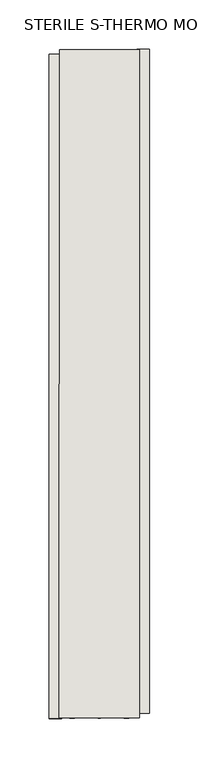
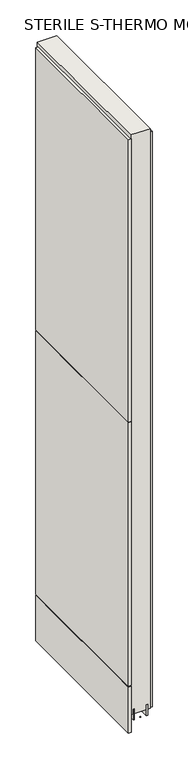
"""IFC4 building model written with IfcOpenShell, lengths in millimetres: wall geometry, STERILE S-THERMO MONO 338092 : STERILE S-THERMO MONO 338092."""

from ifc_helpers import new_model, si_unit, frame, origin, place, context, project, spatial, polyline, outline, extrude, source, transform, mapped, element, save


def sterile_s_thermo_mono_338092_sterile_s_thermo_mono_338092_1df14088(model_context):
    return source(origin(), model_context, "Body", "SweptSolid", [
        extrude(outline(polyline([(86789.1161344, -41925.5451048), (86789.1161344, -41923.0051048), (86791.6561344, -41923.0051048), (86791.6561344, -41925.5451048), (86789.1161344, -41925.5451048)])), frame((0.0, 0.0, 4419.6), z_axis=(0.0, 0.0, 1.0), x_axis=(1.0, 0.0, 0.0)), (0.0, 0.0, 1.0), 2.54),
        extrude(outline(polyline([(86841.297742, -41249.2953397), (86841.297742, -41921.0946819), (86828.597742, -41921.0946819), (86828.597742, -41249.2953397), (86841.297742, -41249.2953397)])), frame((0.0, 0.0, 4445.0), z_axis=(0.0, 0.0, 1.0), x_axis=(1.0, 0.0, 0.0)), (0.0, 0.0, 1.0), 2545.0498756),
        extrude(outline(polyline([(86739.7101626, -41925.9936053), (86739.7101626, -41254.1942631), (86752.4101626, -41254.1942631), (86752.4101626, -41925.9936053), (86739.7101626, -41925.9936053)])), frame((0.0, 0.0, 4573.9999706), z_axis=(0.0, 0.0, 1.0), x_axis=(1.0, 0.0, 0.0)), (0.0, 0.0, 1.0), 1164.400008),
        extrude(outline(polyline([(86739.7101626, -41925.9936053), (86739.7101626, -41254.1942631), (86752.4101626, -41254.1942631), (86752.4101626, -41925.9936053), (86739.7101626, -41925.9936053)])), frame((0.0, 0.0, 4368.1000014), z_axis=(0.0, 0.0, 1.0), x_axis=(1.0, 0.0, 0.0)), (0.0, 0.0, 1.0), 201.9000026),
        extrude(outline(polyline([(86739.7101626, -41925.9936053), (86739.7101626, -41254.1942631), (86752.4101626, -41254.1942631), (86752.4101626, -41925.9936053), (86739.7101626, -41925.9936053)])), frame((0.0, 0.0, 5742.4000722), z_axis=(0.0, 0.0, 1.0), x_axis=(1.0, 0.0, 0.0)), (0.0, 0.0, 1.0), 1247.649905),
        extrude(outline(polyline([(86815.469879, -41925.5463494), (86815.6993172, -41249.7519174), (86820.7842702, -41249.7519174), (86820.554832, -41925.5463494), (86815.469879, -41925.5463494)])), frame((0.0, 0.0, 4418.6602), z_axis=(0.0, 0.0, 1.0), x_axis=(1.0, 0.0, 0.0)), (0.0, 0.0, 1.0), 47.625),
        extrude(outline(polyline([(86815.469879, -41925.5463494), (86815.6993172, -41249.7519174), (86820.7842702, -41249.7519174), (86820.554832, -41925.5463494), (86815.469879, -41925.5463494)])), frame((0.0, 0.0, 4418.6602), z_axis=(0.0, 0.0, 1.0), x_axis=(1.0, 0.0, 0.0)), (0.0, 0.0, 1.0), 47.625),
        extrude(outline(polyline([(86765.5380256, -41249.727127), (86765.3085874, -41925.5463494), (86760.229832, -41925.5463494), (86760.4592702, -41249.727127), (86765.5380256, -41249.727127)])), frame((0.0, 0.0, 4418.6602), z_axis=(0.0, 0.0, 1.0), x_axis=(1.0, 0.0, 0.0)), (0.0, 0.0, 1.0), 47.625),
        extrude(outline(polyline([(86765.5380256, -41249.727127), (86765.3085874, -41925.5463494), (86760.229832, -41925.5463494), (86760.4592702, -41249.727127), (86765.5380256, -41249.727127)])), frame((0.0, 0.0, 4418.6602), z_axis=(0.0, 0.0, 1.0), x_axis=(1.0, 0.0, 0.0)), (0.0, 0.0, 1.0), 47.625),
        extrude(outline(polyline([(86831.016203, -41925.5711398), (86749.7374476, -41925.5184348), (86749.9917016, -41249.727127), (86831.2456666, -41249.7519174), (86831.016203, -41925.5711398)])), frame((0.0, 0.0, 4445.0), z_axis=(0.0, 0.0, 1.0), x_axis=(1.0, 0.0, 0.0)), (0.0, 0.0, 1.0), 2562.4536762),
    ])


if __name__ == "__main__":
    model = new_model("IFC4")
    model_context = context("Model", 3, world=origin())
    ifc_project = project(units=[si_unit("LENGTHUNIT", "METRE", prefix="MILLI")], contexts=[model_context])
    site = spatial("IfcSite", under=ifc_project)
    building = spatial("IfcBuilding", under=site)
    placement = place(None, origin())
    sterile_s_thermo_mono_338092_sterile_s_thermo_mono_338092_shape = sterile_s_thermo_mono_338092_sterile_s_thermo_mono_338092_1df14088(model_context)
    element("IfcWall", 1, ObjectType="STERILE S-THERMO MONO 338092 : STERILE S-THERMO MONO 338092", at=placement, inside=building, context=model_context, shape_type="MappedRepresentation", body=[
        mapped(sterile_s_thermo_mono_338092_sterile_s_thermo_mono_338092_shape, transform((0.0, 0.0, 0.0), x_axis=(1.0, 0.0, 0.0), y_axis=(0.0, 1.0, 0.0), z_axis=(0.0, 0.0, 1.0))),
    ])
    save(model, "model.ifc")
